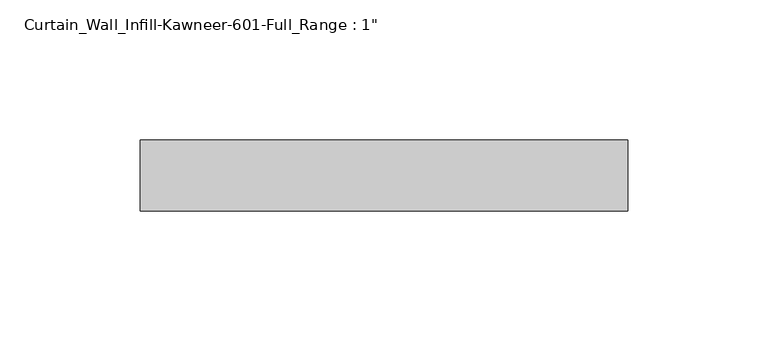
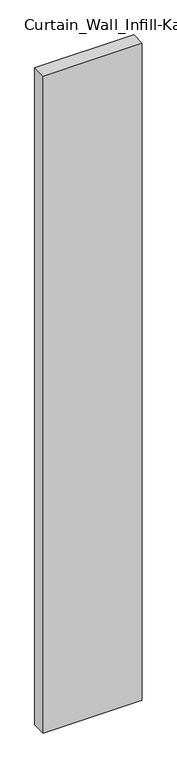
"""IFC4 building model written with IfcOpenShell, lengths in millimetres: plate geometry."""

from ifc_helpers import new_model, si_unit, origin, origin_with_axes, place, context, project, spatial, polyline, outline, extrude, source, transform, mapped, element, save


def plate_edfa8059(model_context):
    return source(origin(), model_context, "Body", "SweptSolid", [
        extrude(outline(polyline([(-86.9917935, -12.7), (-86.9917935, 12.7), (86.9917935, 12.7), (86.9917935, -12.7), (-86.9917935, -12.7)])), origin_with_axes(), (0.0, 0.0, 1.0), 1219.2),
    ])


if __name__ == "__main__":
    model = new_model("IFC4")
    model_context = context("Model", 3, world=origin())
    ifc_project = project(units=[si_unit("LENGTHUNIT", "METRE", prefix="MILLI")], contexts=[model_context])
    site = spatial("IfcSite", under=ifc_project)
    building = spatial("IfcBuilding", under=site)
    placement = place(None, origin())
    plate_shape = plate_edfa8059(model_context)
    element("IfcPlate", 1, ObjectType="Curtain_Wall_Infill-Kawneer-601-Full_Range : 1\"", at=placement, inside=building, context=model_context, shape_type="MappedRepresentation", body=[
        mapped(plate_shape, transform((0.0, 0.0, 0.0), x_axis=(1.0, 0.0, 0.0), y_axis=(0.0, 1.0, 0.0), z_axis=(0.0, 0.0, 1.0))),
    ])
    save(model, "model.ifc")
